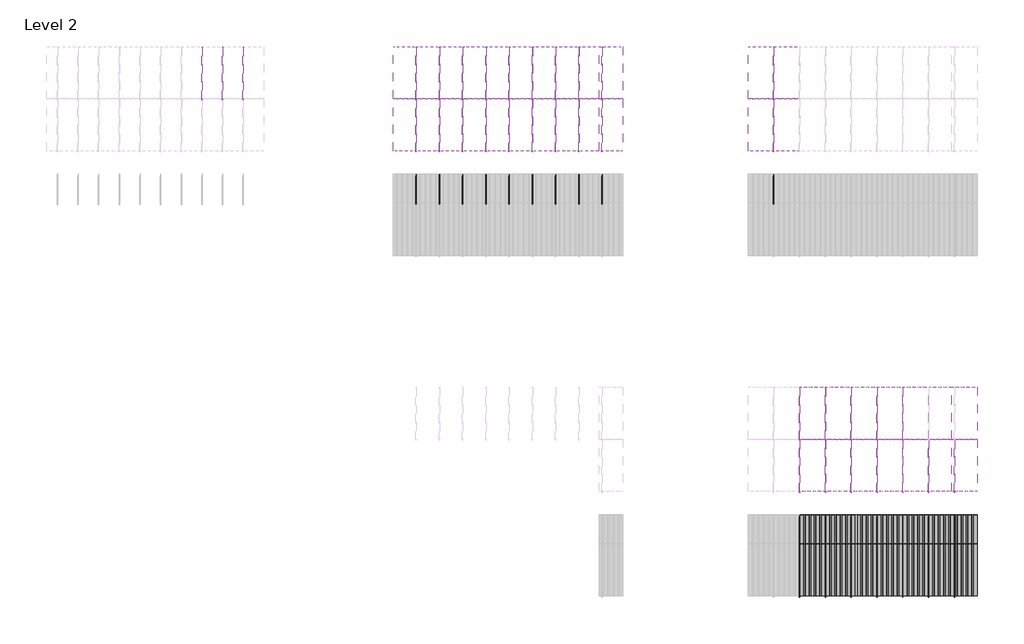
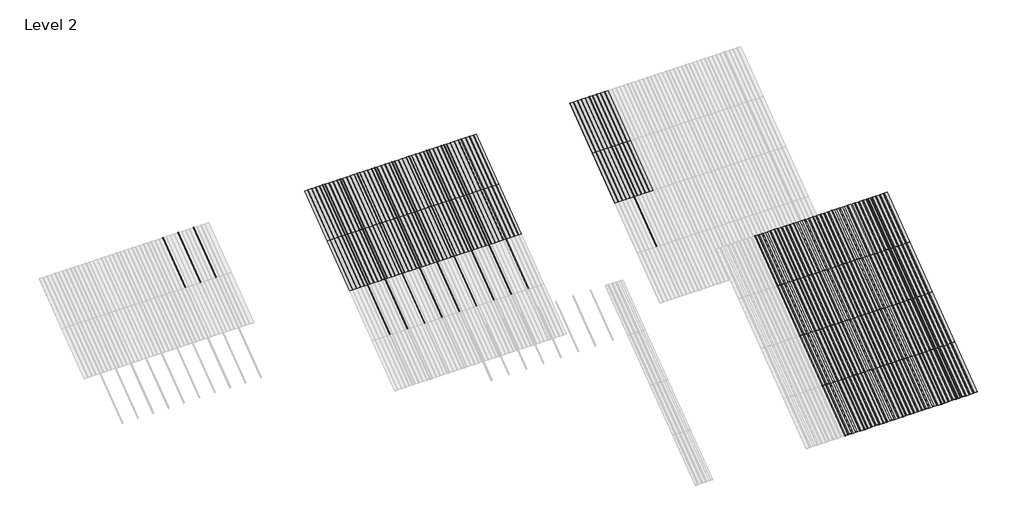
# One storey, part 37 of 113: 59 members, 52 plates.
"""IFC4 building model written with IfcOpenShell, lengths in millimetres."""

import ifcopenshell
import ifcopenshell.guid

model = None  # the IFC model being written
_history = None  # IfcOwnerHistory: only IFC2X3 demands one
_inside = {}  # id of a spatial element -> (the spatial element, [elements in it])
_under = {}  # id of a project, library or spatial element -> (it, [spatial elements below it])
_declared = {}  # id of a project -> (the project, [libraries it declares])
_typed = {}  # id of a type object -> (the type object, [elements of that type])
_made_of = {}  # id of a material, layer set ... -> (it, [elements and type objects made of it])


def new_model(schema):
    """Start an empty IFC model of exactly this schema.

    Asked for "IFC4X3", IfcOpenShell would pick the latest addendum, in which some entities
    have other attributes; the version numbers below select the first issue.
    IFC2X3 requires an IfcOwnerHistory on every rooted entity: one is made here for all.
    """
    global model, _history
    if schema == "IFC4X3":
        model = ifcopenshell.file(schema_version=(4, 3, 0, 0))
    else:
        model = ifcopenshell.file(schema=schema)
    _inside.clear()
    _under.clear()
    _declared.clear()
    _typed.clear()
    _made_of.clear()
    _history = None
    if model.schema == "IFC2X3":
        org = make("IfcOrganization", Name="unknown")
        user = make(
            "IfcPersonAndOrganization",
            ThePerson=make("IfcPerson", FamilyName="unknown"),
            TheOrganization=org,
        )
        app = make(
            "IfcApplication",
            ApplicationDeveloper=org,
            Version="unknown",
            ApplicationFullName="unknown",
            ApplicationIdentifier="unknown",
        )
        _history = make(
            "IfcOwnerHistory",
            OwningUser=user,
            OwningApplication=app,
            ChangeAction="ADDED",
            CreationDate=0,
        )
    return model


def make(cls, **values):
    """One entity of the class cls with the attributes given. An attribute that is None is left unset."""
    return model.create_entity(
        cls, **{name: value for name, value in values.items() if value is not None}
    )


def rooted(cls, **values):
    """An entity with a GlobalId (a new one), such as an element, a storey or a relation."""
    return make(cls, GlobalId=ifcopenshell.guid.new(), OwnerHistory=_history, **values)


def si_unit(unit_type, name, prefix=None):
    """IfcSIUnit, for example si_unit("LENGTHUNIT", "METRE", prefix="MILLI")."""
    return make("IfcSIUnit", UnitType=unit_type, Prefix=prefix, Name=name)


def assignment(units):
    """IfcUnitAssignment: the units of a project."""
    return None if units is None else make("IfcUnitAssignment", Units=units)


def point(xyz):
    """IfcCartesianPoint."""
    return None if xyz is None else make("IfcCartesianPoint", Coordinates=xyz)


def direction(xyz):
    """IfcDirection."""
    return None if xyz is None else make("IfcDirection", DirectionRatios=xyz)


def frame(location, z_axis=None, x_axis=None):
    """IfcAxis2Placement3D, a coordinate frame: its origin and axes. An axis left out is left unset."""
    return make(
        "IfcAxis2Placement3D",
        Location=point(location),
        Axis=direction(z_axis),
        RefDirection=direction(x_axis),
    )


def frame_2d(location, x_axis=None):
    """IfcAxis2Placement2D, a coordinate frame in the plane: its origin and x axis."""
    return make(
        "IfcAxis2Placement2D", Location=point(location), RefDirection=direction(x_axis)
    )


def origin():
    """The frame at (0, 0, 0) with its axes left unset."""
    return frame((0.0, 0.0, 0.0))


def origin_with_axes():
    """The frame at (0, 0, 0) with the z axis (0, 0, 1) and the x axis (1, 0, 0) written out."""
    return frame((0.0, 0.0, 0.0), z_axis=(0.0, 0.0, 1.0), x_axis=(1.0, 0.0, 0.0))


def place(relative_to, where):
    """IfcLocalPlacement: puts the frame where relative to a parent placement (None: the world)."""
    return make(
        "IfcLocalPlacement", PlacementRelTo=relative_to, RelativePlacement=where
    )


def context(
    kind, dimensions, precision=None, world=None, true_north=None, identifier=None
):
    """IfcGeometricRepresentationContext, for example the 3D "Model" context."""
    return make(
        "IfcGeometricRepresentationContext",
        ContextIdentifier=identifier,
        ContextType=kind,
        CoordinateSpaceDimension=dimensions,
        Precision=precision,
        WorldCoordinateSystem=world,
        TrueNorth=true_north,
    )


def project(units=None, contexts=None):
    """IfcProject with its units and contexts."""
    return rooted(
        "IfcProject",
        Name="project",
        RepresentationContexts=contexts,
        UnitsInContext=assignment(units),
    )


def spatial(cls, under=None, at=None, **own):
    """A site, building, storey or space (cls), placed at a placement, below another one or the project."""
    s = rooted(cls, ObjectPlacement=at, **own)
    if under is not None:
        _under.setdefault(under.id(), (under, []))[1].append(s)
    return s


def polyline(points):
    """IfcPolyline through the points."""
    return make("IfcPolyline", Points=[point(p) for p in points])


def circle_curve(where, radius):
    """IfcCircle in the frame where."""
    return make("IfcCircle", Position=where, Radius=radius)


def trimmed(basis, trim1, trim2, sense, master):
    """IfcTrimmedCurve: the piece of a basis curve between two trims."""
    return make(
        "IfcTrimmedCurve",
        BasisCurve=basis,
        Trim1=trim1,
        Trim2=trim2,
        SenseAgreement=sense,
        MasterRepresentation=master,
    )


def segment(curve, same_sense, transition):
    """IfcCompositeCurveSegment."""
    return make(
        "IfcCompositeCurveSegment",
        Transition=transition,
        SameSense=same_sense,
        ParentCurve=curve,
    )


def composite_curve(segments, self_intersect=None):
    """IfcCompositeCurve: segments joined end to end."""
    return make("IfcCompositeCurve", Segments=segments, SelfIntersect=self_intersect)


def outline(outer, holes=None, kind="AREA"):
    """IfcArbitraryClosedProfileDef: a profile drawn as a closed curve; with holes, ...WithVoids."""
    if holes is None:
        return make("IfcArbitraryClosedProfileDef", ProfileType=kind, OuterCurve=outer)
    return make(
        "IfcArbitraryProfileDefWithVoids",
        ProfileType=kind,
        OuterCurve=outer,
        InnerCurves=holes,
    )


def extrude(swept, where, along, depth):
    """IfcExtrudedAreaSolid: the profile swept, set in the frame where, extruded along a direction by depth."""
    return make(
        "IfcExtrudedAreaSolid",
        SweptArea=swept,
        Position=where,
        ExtrudedDirection=direction(along),
        Depth=depth,
    )


def shape(context_of_items, identifier, shape_type, items):
    """IfcShapeRepresentation: the items that make up one representation, for example the "Body"."""
    return make(
        "IfcShapeRepresentation",
        ContextOfItems=context_of_items,
        RepresentationIdentifier=identifier,
        RepresentationType=shape_type,
        Items=items,
    )


def source(mapping_origin, context_of_items, identifier, shape_type, items):
    """IfcRepresentationMap: a shape defined once, which mapped items show again and again."""
    return make(
        "IfcRepresentationMap",
        MappingOrigin=mapping_origin,
        MappedRepresentation=shape(context_of_items, identifier, shape_type, items),
    )


def transform(
    local_origin,
    x_axis=None,
    y_axis=None,
    z_axis=None,
    scale=None,
    scale2=None,
    scale3=None,
    uniform=True,
):
    """IfcCartesianTransformationOperator3D, or its non-uniform kind. x_axis, y_axis, z_axis: its Axis1, 2, 3."""
    if uniform:
        return make(
            "IfcCartesianTransformationOperator3D",
            Axis1=direction(x_axis),
            Axis2=direction(y_axis),
            LocalOrigin=point(local_origin),
            Scale=scale,
            Axis3=direction(z_axis),
        )
    return make(
        "IfcCartesianTransformationOperator3DnonUniform",
        Axis1=direction(x_axis),
        Axis2=direction(y_axis),
        LocalOrigin=point(local_origin),
        Scale=scale,
        Axis3=direction(z_axis),
        Scale2=scale2,
        Scale3=scale3,
    )


def mapped(mapping_source, mapping_target):
    """IfcMappedItem: shows the shape of a source again, moved by a transform."""
    return make(
        "IfcMappedItem", MappingSource=mapping_source, MappingTarget=mapping_target
    )


def made_of(thing, what):
    """Note that an element or type object is made of a material, layer set ...; save() writes the relation."""
    if what is not None:
        _made_of.setdefault(what.id(), (what, []))[1].append(thing)
    return thing


def element(
    cls,
    number,
    at=None,
    inside=None,
    cuts=None,
    type_object=None,
    material=None,
    context=None,
    identifier="Body",
    shape_type=None,
    held_by="IfcProductDefinitionShape",
    body=None,
    shapes=None,
    **own,
):
    """One element of the class cls, such as IfcWall. Its Tag is "e" and its number.

    at: its placement. inside: the storey or other place that contains it. cuts: it is an
    opening in that element (IfcRelVoidsElement). A single representation is given by context,
    identifier, shape_type and body (its items); several are given by shapes. held_by: the class
    of the entity that holds the representations. save() writes the other relations.
    """
    e = rooted(cls, Tag="e%d" % number, ObjectPlacement=at, **own)
    if body is not None:
        shapes = [shape(context, identifier, shape_type, body)]
    if shapes is not None:
        e.Representation = make(held_by, Representations=shapes)
    if inside is not None:
        _inside.setdefault(inside.id(), (inside, []))[1].append(e)
    if cuts is not None:
        rooted(
            "IfcRelVoidsElement", RelatingBuildingElement=cuts, RelatedOpeningElement=e
        )
    if type_object is not None:
        _typed.setdefault(type_object.id(), (type_object, []))[1].append(e)
    return made_of(e, material)


def aggregate(whole, parts):
    """IfcRelAggregates: a whole, such as a stair, and the parts it consists of."""
    return rooted("IfcRelAggregates", RelatingObject=whole, RelatedObjects=parts)


def save(model, path):
    """Write the relations noted so far, then the file.

    IfcRelAggregates (storeys below a building ...), IfcRelContainedInSpatialStructure (elements
    in a storey), IfcRelDefinesByType, IfcRelAssociatesMaterial and IfcRelDeclares: one each for
    every whole, place, type object, material and project.
    """
    for whole, parts in _under.values():
        aggregate(whole, parts)
    for where, things in _inside.values():
        rooted(
            "IfcRelContainedInSpatialStructure",
            RelatedElements=things,
            RelatingStructure=where,
        )
    for kind, things in _typed.values():
        rooted("IfcRelDefinesByType", RelatedObjects=things, RelatingType=kind)
    for what, things in _made_of.values():
        rooted("IfcRelAssociatesMaterial", RelatedObjects=things, RelatingMaterial=what)
    for by, libraries in _declared.values():
        rooted("IfcRelDeclares", RelatingContext=by, RelatedDefinitions=libraries)
    model.write(path)


def rectangular_mullion_707b4951(model_context):
    return source(origin(), model_context, "Body", "SweptSolid", [
        extrude(outline(composite_curve([segment(polyline([(-1.651, -33.918525), (-1.651, 0.396875), (1.778, 0.396875), (1.778, -36.458525)]), True, "CONTINUOUS"), segment(trimmed(circle_curve(frame_2d((-0.762, -36.458525)), 2.54), [point((1.778, -36.458525))], [point((-0.762, -38.998525))], False, "CARTESIAN"), True, "CONTINUOUS"), segment(polyline([(-0.762, -38.998525), (-5.207, -38.998525)]), True, "CONTINUOUS"), segment(trimmed(circle_curve(frame_2d((-5.207, -36.458525)), 2.54), [point((-5.207, -38.998525))], [point((-7.747, -36.458525))], False, "CARTESIAN"), True, "CONTINUOUS"), segment(polyline([(-7.747, -36.458525), (-7.747, -26.425525)]), True, "CONTINUOUS"), segment(trimmed(circle_curve(frame_2d((-5.207, -26.425525)), 2.54), [point((-7.747, -26.425525))], [point((-2.667, -26.425525))], False, "CARTESIAN"), True, "CONTINUOUS"), segment(polyline([(-2.667, -26.425525), (-2.667, -33.918525), (-1.651, -33.918525)]), True, "CONTINUOUS")], self_intersect=False)), frame((0.0, 0.0, -1285.875), z_axis=(0.0, 0.0, 1.0), x_axis=(1.0, 0.0, 0.0)), (0.0, 0.0, 1.0), 1285.875),
    ])


def plate_0_032_aluminium_d35da513(model_context):
    return source(origin(), model_context, "Body", "SweptSolid", [
        extrude(outline(polyline([(33.654793, 0.0), (-33.654793, 0.0), (-37.203173, -3.54838), (-66.870787, -3.54838), (-70.419167, 0.0), (-137.728753, 0.0), (-141.277133, -3.54838), (-170.944747, -3.54838), (-174.493127, 0.0), (-254.0, 0.0), (-254.0, 0.8128), (-174.42942, 0.8128), (-170.88104, -2.73558), (-141.34084, -2.73558), (-137.79246, 0.8128), (-70.35546, 0.8128), (-66.80708, -2.73558), (-37.26688, -2.73558), (-33.7185, 0.8128), (33.7185, 0.8128), (37.26688, -2.73558), (66.80708, -2.73558), (70.35546, 0.8128), (137.79246, 0.8128), (141.34084, -2.73558), (170.88104, -2.73558), (174.42942, 0.8128), (254.0, 0.8128), (254.0, 0.0), (174.493127, 0.0), (170.944747, -3.54838), (141.277133, -3.54838), (137.728753, 0.0), (70.419167, 0.0), (66.870787, -3.54838), (37.203173, -3.54838), (33.654793, 0.0)])), origin_with_axes(), (0.0, 0.0, 1.0), 1285.875),
    ])


def plate_0_032_aluminium_42d2a43c(model_context):
    return source(origin(), model_context, "Body", "SweptSolid", [
        extrude(outline(composite_curve([segment(polyline([(45.68698, 0.0), (-45.68698, 0.0)]), True, "CONTINUOUS"), segment(trimmed(circle_curve(frame_2d((-52.03698, 0.0)), 6.35), [point((-45.68698, 0.0))], [point((-58.38698, 0.0))], False, "CARTESIAN"), True, "CONTINUOUS"), segment(polyline([(-58.38698, 0.0), (-149.76094, 0.0)]), True, "CONTINUOUS"), segment(trimmed(circle_curve(frame_2d((-156.11094, 0.0)), 6.35), [point((-149.76094, 0.0))], [point((-162.46094, 0.0))], False, "CARTESIAN"), True, "CONTINUOUS"), segment(polyline([(-162.46094, 0.0), (-228.6, 0.0), (-228.6, 0.8128), (-161.64814, 0.8128), (-161.64814, 0.0)]), True, "CONTINUOUS"), segment(trimmed(circle_curve(frame_2d((-156.11094, 0.0)), 5.5372), [point((-161.64814, 0.0))], [point((-150.57374, 0.0))], True, "CARTESIAN"), True, "CONTINUOUS"), segment(polyline([(-150.57374, 0.0), (-150.57374, 0.8128), (-57.57418, 0.8128), (-57.57418, 0.0)]), True, "CONTINUOUS"), segment(trimmed(circle_curve(frame_2d((-52.03698, 0.0)), 5.5372), [point((-57.57418, 0.0))], [point((-46.49978, 0.0))], True, "CARTESIAN"), True, "CONTINUOUS"), segment(polyline([(-46.49978, 0.0), (-46.49978, 0.8128), (46.49978, 0.8128), (46.49978, 0.0)]), True, "CONTINUOUS"), segment(trimmed(circle_curve(frame_2d((52.03698, 0.0)), 5.5372), [point((46.49978, 0.0))], [point((57.57418, 0.0))], True, "CARTESIAN"), True, "CONTINUOUS"), segment(polyline([(57.57418, 0.0), (57.57418, 0.8128), (150.57374, 0.8128), (150.57374, 0.0)]), True, "CONTINUOUS"), segment(trimmed(circle_curve(frame_2d((156.11094, 0.0)), 5.5372), [point((150.57374, 0.0))], [point((161.64814, 0.0))], True, "CARTESIAN"), True, "CONTINUOUS"), segment(polyline([(161.64814, 0.0), (161.64814, 0.8128), (228.6, 0.8128), (228.6, 0.0), (162.46094, 0.0)]), True, "CONTINUOUS"), segment(trimmed(circle_curve(frame_2d((156.11094, 0.0)), 6.35), [point((162.46094, 0.0))], [point((149.76094, 0.0))], False, "CARTESIAN"), True, "CONTINUOUS"), segment(polyline([(149.76094, 0.0), (58.38698, 0.0)]), True, "CONTINUOUS"), segment(trimmed(circle_curve(frame_2d((52.03698, 0.0)), 6.35), [point((58.38698, 0.0))], [point((45.68698, 0.0))], False, "CARTESIAN"), True, "CONTINUOUS")], self_intersect=False)), origin_with_axes(), (0.0, 0.0, 1.0), 1285.875),
    ])


def plate_0_032_aluminium_9ac9a1cd(model_context):
    return source(origin(), model_context, "Body", "SweptSolid", [
        extrude(outline(composite_curve([segment(polyline([(45.68698, 0.0), (-45.68698, 0.0)]), True, "CONTINUOUS"), segment(trimmed(circle_curve(frame_2d((-52.03698, 0.0)), 6.35), [point((-45.68698, 0.0))], [point((-58.38698, 0.0))], False, "CARTESIAN"), True, "CONTINUOUS"), segment(polyline([(-58.38698, 0.0), (-149.76094, 0.0)]), True, "CONTINUOUS"), segment(trimmed(circle_curve(frame_2d((-156.11094, 0.0)), 6.35), [point((-149.76094, 0.0))], [point((-162.46094, 0.0))], False, "CARTESIAN"), True, "CONTINUOUS"), segment(polyline([(-162.46094, 0.0), (-254.0, 0.0), (-254.0, 0.8128), (-161.64814, 0.8128), (-161.64814, 0.0)]), True, "CONTINUOUS"), segment(trimmed(circle_curve(frame_2d((-156.11094, 0.0)), 5.5372), [point((-161.64814, 0.0))], [point((-150.57374, 0.0))], True, "CARTESIAN"), True, "CONTINUOUS"), segment(polyline([(-150.57374, 0.0), (-150.57374, 0.8128), (-57.57418, 0.8128), (-57.57418, 0.0)]), True, "CONTINUOUS"), segment(trimmed(circle_curve(frame_2d((-52.03698, 0.0)), 5.5372), [point((-57.57418, 0.0))], [point((-46.49978, 0.0))], True, "CARTESIAN"), True, "CONTINUOUS"), segment(polyline([(-46.49978, 0.0), (-46.49978, 0.8128), (46.49978, 0.8128), (46.49978, 0.0)]), True, "CONTINUOUS"), segment(trimmed(circle_curve(frame_2d((52.03698, 0.0)), 5.5372), [point((46.49978, 0.0))], [point((57.57418, 0.0))], True, "CARTESIAN"), True, "CONTINUOUS"), segment(polyline([(57.57418, 0.0), (57.57418, 0.8128), (150.57374, 0.8128), (150.57374, 0.0)]), True, "CONTINUOUS"), segment(trimmed(circle_curve(frame_2d((156.11094, 0.0)), 5.5372), [point((150.57374, 0.0))], [point((161.64814, 0.0))], True, "CARTESIAN"), True, "CONTINUOUS"), segment(polyline([(161.64814, 0.0), (161.64814, 0.8128), (254.0, 0.8128), (254.0, 0.0), (162.46094, 0.0)]), True, "CONTINUOUS"), segment(trimmed(circle_curve(frame_2d((156.11094, 0.0)), 6.35), [point((162.46094, 0.0))], [point((149.76094, 0.0))], False, "CARTESIAN"), True, "CONTINUOUS"), segment(polyline([(149.76094, 0.0), (58.38698, 0.0)]), True, "CONTINUOUS"), segment(trimmed(circle_curve(frame_2d((52.03698, 0.0)), 6.35), [point((58.38698, 0.0))], [point((45.68698, 0.0))], False, "CARTESIAN"), True, "CONTINUOUS")], self_intersect=False)), origin_with_axes(), (0.0, 0.0, 1.0), 1285.875),
    ])


model = new_model("IFC4")

# Units and contexts
model_context = context("Model", 3, world=origin())
ifc_project = project(units=[si_unit("LENGTHUNIT", "METRE", prefix="MILLI")], contexts=[model_context])

# Site, building, storey
site = spatial("IfcSite", under=ifc_project)
building = spatial("IfcBuilding", under=site)
storey = spatial("IfcBuildingStorey", under=building, Name="Level 2", Elevation=3048.0)

# Members
placement = place(None, origin())
rectangular_mullion_shape = rectangular_mullion_707b4951(model_context)
element("IfcMember", 1, ObjectType="Rectangular Mullion", at=placement, inside=storey, context=model_context, shape_type="MappedRepresentation", body=[
    mapped(rectangular_mullion_shape, transform((80049.7138422, 52373.0971239, 6134.1), x_axis=(1.0, 0.0, 0.0), y_axis=(0.0, 0.5999999999999946, -0.800000000000004), z_axis=(0.0, 0.800000000000004, 0.5999999999999946))),
])
element("IfcMember", 2, ObjectType="Rectangular Mullion", at=placement, inside=storey, context=model_context, shape_type="MappedRepresentation", body=[
    mapped(rectangular_mullion_shape, transform((80557.7138422, 52373.0971239, 6134.1), x_axis=(1.0, 0.0, 0.0), y_axis=(0.0, 0.5999999999999946, -0.800000000000004), z_axis=(0.0, 0.800000000000004, 0.5999999999999946))),
])
element("IfcMember", 3, ObjectType="Rectangular Mullion", at=placement, inside=storey, context=model_context, shape_type="MappedRepresentation", body=[
    mapped(rectangular_mullion_shape, transform((81065.7138422, 52373.0971239, 6134.1), x_axis=(1.0, 0.0, 0.0), y_axis=(0.0, 0.5999999999999946, -0.800000000000004), z_axis=(0.0, 0.800000000000004, 0.5999999999999946))),
])
element("IfcMember", 4, ObjectType="Rectangular Mullion", at=placement, inside=storey, context=model_context, shape_type="MappedRepresentation", body=[
    mapped(rectangular_mullion_shape, transform((81573.7138422, 52373.0971239, 6134.1), x_axis=(1.0, 0.0, 0.0), y_axis=(0.0, 0.5999999999999946, -0.800000000000004), z_axis=(0.0, 0.800000000000004, 0.5999999999999946))),
])
element("IfcMember", 5, ObjectType="Rectangular Mullion", at=placement, inside=storey, context=model_context, shape_type="MappedRepresentation", body=[
    mapped(rectangular_mullion_shape, transform((82081.7138422, 52373.0971239, 6134.1), x_axis=(1.0, 0.0, 0.0), y_axis=(0.0, 0.5999999999999946, -0.800000000000004), z_axis=(0.0, 0.800000000000004, 0.5999999999999946))),
])
element("IfcMember", 6, ObjectType="Rectangular Mullion", at=placement, inside=storey, context=model_context, shape_type="MappedRepresentation", body=[
    mapped(rectangular_mullion_shape, transform((68289.5138422, 59078.2208739, 6134.1), x_axis=(1.0, 0.0, 0.0), y_axis=(0.0, 0.5999999999999946, -0.800000000000004), z_axis=(0.0, 0.800000000000004, 0.5999999999999946))),
])
element("IfcMember", 7, ObjectType="Rectangular Mullion", at=placement, inside=storey, context=model_context, shape_type="MappedRepresentation", body=[
    mapped(rectangular_mullion_shape, transform((68695.9138422, 59078.2208739, 6134.1), x_axis=(1.0, 0.0, 0.0), y_axis=(0.0, 0.5999999999999946, -0.800000000000004), z_axis=(0.0, 0.800000000000004, 0.5999999999999946))),
])
element("IfcMember", 8, ObjectType="Rectangular Mullion", at=placement, inside=storey, context=model_context, shape_type="MappedRepresentation", body=[
    mapped(rectangular_mullion_shape, transform((72505.9138422, 59078.2208739, 6134.1), x_axis=(1.0, 0.0, 0.0), y_axis=(0.0, 0.5999999999999946, -0.800000000000004), z_axis=(0.0, 0.800000000000004, 0.5999999999999946))),
])
element("IfcMember", 9, ObjectType="Rectangular Mullion", at=placement, inside=storey, context=model_context, shape_type="MappedRepresentation", body=[
    mapped(rectangular_mullion_shape, transform((72963.1138422, 59078.2208739, 6134.1), x_axis=(1.0, 0.0, 0.0), y_axis=(0.0, 0.5999999999999946, -0.800000000000004), z_axis=(0.0, 0.800000000000004, 0.5999999999999946))),
])
element("IfcMember", 10, ObjectType="Rectangular Mullion", at=placement, inside=storey, context=model_context, shape_type="MappedRepresentation", body=[
    mapped(rectangular_mullion_shape, transform((73420.3138422, 59078.2208739, 6134.1), x_axis=(1.0, 0.0, 0.0), y_axis=(0.0, 0.5999999999999946, -0.800000000000004), z_axis=(0.0, 0.800000000000004, 0.5999999999999946))),
])
element("IfcMember", 11, ObjectType="Rectangular Mullion", at=placement, inside=storey, context=model_context, shape_type="MappedRepresentation", body=[
    mapped(rectangular_mullion_shape, transform((73877.5138422, 59078.2208739, 6134.1), x_axis=(1.0, 0.0, 0.0), y_axis=(0.0, 0.5999999999999946, -0.800000000000004), z_axis=(0.0, 0.800000000000004, 0.5999999999999946))),
])
element("IfcMember", 12, ObjectType="Rectangular Mullion", at=placement, inside=storey, context=model_context, shape_type="MappedRepresentation", body=[
    mapped(rectangular_mullion_shape, transform((74334.7138422, 59078.2208739, 6134.1), x_axis=(1.0, 0.0, 0.0), y_axis=(0.0, 0.5999999999999946, -0.800000000000004), z_axis=(0.0, 0.800000000000004, 0.5999999999999946))),
])
element("IfcMember", 13, ObjectType="Rectangular Mullion", at=placement, inside=storey, context=model_context, shape_type="MappedRepresentation", body=[
    mapped(rectangular_mullion_shape, transform((74791.9138422, 59078.2208739, 6134.1), x_axis=(1.0, 0.0, 0.0), y_axis=(0.0, 0.5999999999999946, -0.800000000000004), z_axis=(0.0, 0.800000000000004, 0.5999999999999946))),
])
element("IfcMember", 14, ObjectType="Rectangular Mullion", at=placement, inside=storey, context=model_context, shape_type="MappedRepresentation", body=[
    mapped(rectangular_mullion_shape, transform((75249.1138422, 59078.2208739, 6134.1), x_axis=(1.0, 0.0, 0.0), y_axis=(0.0, 0.5999999999999946, -0.800000000000004), z_axis=(0.0, 0.800000000000004, 0.5999999999999946))),
])
element("IfcMember", 15, ObjectType="Rectangular Mullion", at=placement, inside=storey, context=model_context, shape_type="MappedRepresentation", body=[
    mapped(rectangular_mullion_shape, transform((75706.3138422, 59078.2208739, 6134.1), x_axis=(1.0, 0.0, 0.0), y_axis=(0.0, 0.5999999999999946, -0.800000000000004), z_axis=(0.0, 0.800000000000004, 0.5999999999999946))),
])
element("IfcMember", 16, ObjectType="Rectangular Mullion", at=placement, inside=storey, context=model_context, shape_type="MappedRepresentation", body=[
    mapped(rectangular_mullion_shape, transform((76163.5138422, 59078.2208739, 6134.1), x_axis=(1.0, 0.0, 0.0), y_axis=(0.0, 0.5999999999999946, -0.800000000000004), z_axis=(0.0, 0.800000000000004, 0.5999999999999946))),
])
element("IfcMember", 17, ObjectType="Rectangular Mullion", at=placement, inside=storey, context=model_context, shape_type="MappedRepresentation", body=[
    mapped(rectangular_mullion_shape, transform((79541.7138422, 59078.2208739, 6134.1), x_axis=(1.0, 0.0, 0.0), y_axis=(0.0, 0.5999999999999946, -0.800000000000004), z_axis=(0.0, 0.800000000000004, 0.5999999999999946))),
])
element("IfcMember", 18, ObjectType="Rectangular Mullion", at=placement, inside=storey, context=model_context, shape_type="MappedRepresentation", body=[
    mapped(rectangular_mullion_shape, transform((69102.3138422, 59078.2208739, 6134.1), x_axis=(1.0, 0.0, 0.0), y_axis=(0.0, 0.5999999999999946, -0.800000000000004), z_axis=(0.0, 0.800000000000004, 0.5999999999999946))),
])
element("IfcMember", 19, ObjectType="Rectangular Mullion", at=placement, inside=storey, context=model_context, shape_type="MappedRepresentation", body=[
    mapped(rectangular_mullion_shape, transform((80049.7138422, 49286.9971239, 3819.525), x_axis=(1.0, 0.0, 0.0), y_axis=(0.0, 0.5999999999999939, -0.8000000000000047), z_axis=(0.0, 0.8000000000000047, 0.5999999999999939))),
])
element("IfcMember", 20, ObjectType="Rectangular Mullion", at=placement, inside=storey, context=model_context, shape_type="MappedRepresentation", body=[
    mapped(rectangular_mullion_shape, transform((80557.7138422, 49286.9971239, 3819.525), x_axis=(1.0, 0.0, 0.0), y_axis=(0.0, 0.5999999999999939, -0.8000000000000047), z_axis=(0.0, 0.8000000000000047, 0.5999999999999939))),
])
element("IfcMember", 21, ObjectType="Rectangular Mullion", at=placement, inside=storey, context=model_context, shape_type="MappedRepresentation", body=[
    mapped(rectangular_mullion_shape, transform((81065.7138422, 49286.9971239, 3819.525), x_axis=(1.0, 0.0, 0.0), y_axis=(0.0, 0.5999999999999939, -0.8000000000000047), z_axis=(0.0, 0.8000000000000047, 0.5999999999999939))),
])
element("IfcMember", 22, ObjectType="Rectangular Mullion", at=placement, inside=storey, context=model_context, shape_type="MappedRepresentation", body=[
    mapped(rectangular_mullion_shape, transform((81573.7138422, 49286.9971239, 3819.525), x_axis=(1.0, 0.0, 0.0), y_axis=(0.0, 0.5999999999999939, -0.8000000000000047), z_axis=(0.0, 0.8000000000000047, 0.5999999999999939))),
])
element("IfcMember", 23, ObjectType="Rectangular Mullion", at=placement, inside=storey, context=model_context, shape_type="MappedRepresentation", body=[
    mapped(rectangular_mullion_shape, transform((82081.7138422, 49286.9971239, 3819.525), x_axis=(1.0, 0.0, 0.0), y_axis=(0.0, 0.5999999999999939, -0.8000000000000047), z_axis=(0.0, 0.8000000000000047, 0.5999999999999939))),
])
element("IfcMember", 24, ObjectType="Rectangular Mullion", at=placement, inside=storey, context=model_context, shape_type="MappedRepresentation", body=[
    mapped(rectangular_mullion_shape, transform((82589.7138422, 49286.9971239, 3819.525), x_axis=(1.0, 0.0, 0.0), y_axis=(0.0, 0.5999999999999939, -0.8000000000000047), z_axis=(0.0, 0.8000000000000047, 0.5999999999999939))),
])
element("IfcMember", 25, ObjectType="Rectangular Mullion", at=placement, inside=storey, context=model_context, shape_type="MappedRepresentation", body=[
    mapped(rectangular_mullion_shape, transform((83097.7138422, 49286.9971239, 3819.525), x_axis=(1.0, 0.0, 0.0), y_axis=(0.0, 0.5999999999999939, -0.8000000000000047), z_axis=(0.0, 0.8000000000000047, 0.5999999999999939))),
])
element("IfcMember", 26, ObjectType="Rectangular Mullion", at=placement, inside=storey, context=model_context, shape_type="MappedRepresentation", body=[
    mapped(rectangular_mullion_shape, transform((80049.7138422, 50315.6971239, 4591.05), x_axis=(1.0, 0.0, 0.0), y_axis=(0.0, 0.5999999999999952, -0.8000000000000037), z_axis=(0.0, 0.8000000000000037, 0.5999999999999952))),
])
element("IfcMember", 27, ObjectType="Rectangular Mullion", at=placement, inside=storey, context=model_context, shape_type="MappedRepresentation", body=[
    mapped(rectangular_mullion_shape, transform((80049.7138422, 51344.3971239, 5362.575), x_axis=(1.0, 0.0, 0.0), y_axis=(0.0, 0.5999999999999941, -0.8000000000000045), z_axis=(0.0, 0.8000000000000044, 0.599999999999994))),
])
element("IfcMember", 28, ObjectType="Rectangular Mullion", at=placement, inside=storey, context=model_context, shape_type="MappedRepresentation", body=[
    mapped(rectangular_mullion_shape, transform((80557.7138422, 50315.6971239, 4591.05), x_axis=(1.0, 0.0, 0.0), y_axis=(0.0, 0.5999999999999952, -0.8000000000000037), z_axis=(0.0, 0.8000000000000037, 0.5999999999999952))),
])
element("IfcMember", 29, ObjectType="Rectangular Mullion", at=placement, inside=storey, context=model_context, shape_type="MappedRepresentation", body=[
    mapped(rectangular_mullion_shape, transform((81065.7138422, 50315.6971239, 4591.05), x_axis=(1.0, 0.0, 0.0), y_axis=(0.0, 0.5999999999999952, -0.8000000000000037), z_axis=(0.0, 0.8000000000000037, 0.5999999999999952))),
])
element("IfcMember", 30, ObjectType="Rectangular Mullion", at=placement, inside=storey, context=model_context, shape_type="MappedRepresentation", body=[
    mapped(rectangular_mullion_shape, transform((81573.7138422, 50315.6971239, 4591.05), x_axis=(1.0, 0.0, 0.0), y_axis=(0.0, 0.5999999999999952, -0.8000000000000037), z_axis=(0.0, 0.8000000000000037, 0.5999999999999952))),
])
element("IfcMember", 31, ObjectType="Rectangular Mullion", at=placement, inside=storey, context=model_context, shape_type="MappedRepresentation", body=[
    mapped(rectangular_mullion_shape, transform((82081.7138422, 50315.6971239, 4591.05), x_axis=(1.0, 0.0, 0.0), y_axis=(0.0, 0.5999999999999952, -0.8000000000000037), z_axis=(0.0, 0.8000000000000037, 0.5999999999999952))),
])
element("IfcMember", 32, ObjectType="Rectangular Mullion", at=placement, inside=storey, context=model_context, shape_type="MappedRepresentation", body=[
    mapped(rectangular_mullion_shape, transform((82589.7138422, 50315.6971239, 4591.05), x_axis=(1.0, 0.0, 0.0), y_axis=(0.0, 0.5999999999999952, -0.8000000000000037), z_axis=(0.0, 0.8000000000000037, 0.5999999999999952))),
])
element("IfcMember", 33, ObjectType="Rectangular Mullion", at=placement, inside=storey, context=model_context, shape_type="MappedRepresentation", body=[
    mapped(rectangular_mullion_shape, transform((83097.7138422, 50315.6971239, 4591.05), x_axis=(1.0, 0.0, 0.0), y_axis=(0.0, 0.5999999999999952, -0.8000000000000037), z_axis=(0.0, 0.8000000000000037, 0.5999999999999952))),
])
element("IfcMember", 34, ObjectType="Rectangular Mullion", at=placement, inside=storey, context=model_context, shape_type="MappedRepresentation", body=[
    mapped(rectangular_mullion_shape, transform((80557.7138422, 51344.3971239, 5362.575), x_axis=(1.0, 0.0, 0.0), y_axis=(0.0, 0.5999999999999941, -0.8000000000000045), z_axis=(0.0, 0.8000000000000044, 0.599999999999994))),
])
element("IfcMember", 35, ObjectType="Rectangular Mullion", at=placement, inside=storey, context=model_context, shape_type="MappedRepresentation", body=[
    mapped(rectangular_mullion_shape, transform((81065.7138422, 51344.3971239, 5362.575), x_axis=(1.0, 0.0, 0.0), y_axis=(0.0, 0.5999999999999941, -0.8000000000000045), z_axis=(0.0, 0.8000000000000044, 0.599999999999994))),
])
element("IfcMember", 36, ObjectType="Rectangular Mullion", at=placement, inside=storey, context=model_context, shape_type="MappedRepresentation", body=[
    mapped(rectangular_mullion_shape, transform((81573.7138422, 51344.3971239, 5362.575), x_axis=(1.0, 0.0, 0.0), y_axis=(0.0, 0.5999999999999941, -0.8000000000000045), z_axis=(0.0, 0.8000000000000044, 0.599999999999994))),
])
element("IfcMember", 37, ObjectType="Rectangular Mullion", at=placement, inside=storey, context=model_context, shape_type="MappedRepresentation", body=[
    mapped(rectangular_mullion_shape, transform((82081.7138422, 51344.3971239, 5362.575), x_axis=(1.0, 0.0, 0.0), y_axis=(0.0, 0.5999999999999941, -0.8000000000000045), z_axis=(0.0, 0.8000000000000044, 0.599999999999994))),
])
element("IfcMember", 38, ObjectType="Rectangular Mullion", at=placement, inside=storey, context=model_context, shape_type="MappedRepresentation", body=[
    mapped(rectangular_mullion_shape, transform((82589.7138422, 51344.3971239, 5362.575), x_axis=(1.0, 0.0, 0.0), y_axis=(0.0, 0.5999999999999941, -0.8000000000000045), z_axis=(0.0, 0.8000000000000044, 0.599999999999994))),
])
element("IfcMember", 39, ObjectType="Rectangular Mullion", at=placement, inside=storey, context=model_context, shape_type="MappedRepresentation", body=[
    mapped(rectangular_mullion_shape, transform((83097.7138422, 51344.3971239, 5362.575), x_axis=(1.0, 0.0, 0.0), y_axis=(0.0, 0.5999999999999941, -0.8000000000000045), z_axis=(0.0, 0.8000000000000044, 0.599999999999994))),
])
element("IfcMember", 40, ObjectType="Rectangular Mullion", at=placement, inside=storey, context=model_context, shape_type="MappedRepresentation", body=[
    mapped(rectangular_mullion_shape, transform((72505.9138422, 57020.8208739, 4591.05), x_axis=(1.0, 0.0, 0.0), y_axis=(0.0, 0.5999999999999952, -0.8000000000000037), z_axis=(0.0, 0.8000000000000037, 0.5999999999999952))),
])
element("IfcMember", 41, ObjectType="Rectangular Mullion", at=placement, inside=storey, context=model_context, shape_type="MappedRepresentation", body=[
    mapped(rectangular_mullion_shape, transform((72963.1138422, 57020.8208739, 4591.05), x_axis=(1.0, 0.0, 0.0), y_axis=(0.0, 0.5999999999999952, -0.8000000000000037), z_axis=(0.0, 0.8000000000000037, 0.5999999999999952))),
])
element("IfcMember", 42, ObjectType="Rectangular Mullion", at=placement, inside=storey, context=model_context, shape_type="MappedRepresentation", body=[
    mapped(rectangular_mullion_shape, transform((72505.9138422, 58049.5208739, 5362.575), x_axis=(1.0, 0.0, 0.0), y_axis=(0.0, 0.5999999999999941, -0.8000000000000045), z_axis=(0.0, 0.8000000000000044, 0.599999999999994))),
])
element("IfcMember", 43, ObjectType="Rectangular Mullion", at=placement, inside=storey, context=model_context, shape_type="MappedRepresentation", body=[
    mapped(rectangular_mullion_shape, transform((72963.1138422, 58049.5208739, 5362.575), x_axis=(1.0, 0.0, 0.0), y_axis=(0.0, 0.5999999999999941, -0.8000000000000045), z_axis=(0.0, 0.8000000000000044, 0.599999999999994))),
])
element("IfcMember", 44, ObjectType="Rectangular Mullion", at=placement, inside=storey, context=model_context, shape_type="MappedRepresentation", body=[
    mapped(rectangular_mullion_shape, transform((73420.3138422, 57020.8208739, 4591.05), x_axis=(1.0, 0.0, 0.0), y_axis=(0.0, 0.5999999999999952, -0.8000000000000037), z_axis=(0.0, 0.8000000000000037, 0.5999999999999952))),
])
element("IfcMember", 45, ObjectType="Rectangular Mullion", at=placement, inside=storey, context=model_context, shape_type="MappedRepresentation", body=[
    mapped(rectangular_mullion_shape, transform((73877.5138422, 57020.8208739, 4591.05), x_axis=(1.0, 0.0, 0.0), y_axis=(0.0, 0.5999999999999952, -0.8000000000000037), z_axis=(0.0, 0.8000000000000037, 0.5999999999999952))),
])
element("IfcMember", 46, ObjectType="Rectangular Mullion", at=placement, inside=storey, context=model_context, shape_type="MappedRepresentation", body=[
    mapped(rectangular_mullion_shape, transform((74334.7138422, 57020.8208739, 4591.05), x_axis=(1.0, 0.0, 0.0), y_axis=(0.0, 0.5999999999999952, -0.8000000000000037), z_axis=(0.0, 0.8000000000000037, 0.5999999999999952))),
])
element("IfcMember", 47, ObjectType="Rectangular Mullion", at=placement, inside=storey, context=model_context, shape_type="MappedRepresentation", body=[
    mapped(rectangular_mullion_shape, transform((74791.9138422, 57020.8208739, 4591.05), x_axis=(1.0, 0.0, 0.0), y_axis=(0.0, 0.5999999999999952, -0.8000000000000037), z_axis=(0.0, 0.8000000000000037, 0.5999999999999952))),
])
element("IfcMember", 48, ObjectType="Rectangular Mullion", at=placement, inside=storey, context=model_context, shape_type="MappedRepresentation", body=[
    mapped(rectangular_mullion_shape, transform((75249.1138422, 57020.8208739, 4591.05), x_axis=(1.0, 0.0, 0.0), y_axis=(0.0, 0.5999999999999952, -0.8000000000000037), z_axis=(0.0, 0.8000000000000037, 0.5999999999999952))),
])
element("IfcMember", 49, ObjectType="Rectangular Mullion", at=placement, inside=storey, context=model_context, shape_type="MappedRepresentation", body=[
    mapped(rectangular_mullion_shape, transform((75706.3138422, 57020.8208739, 4591.05), x_axis=(1.0, 0.0, 0.0), y_axis=(0.0, 0.5999999999999949, -0.8000000000000038), z_axis=(0.0, 0.8000000000000038, 0.5999999999999949))),
])
element("IfcMember", 50, ObjectType="Rectangular Mullion", at=placement, inside=storey, context=model_context, shape_type="MappedRepresentation", body=[
    mapped(rectangular_mullion_shape, transform((76163.5138422, 57020.8208739, 4591.05), x_axis=(1.0, 0.0, 0.0), y_axis=(0.0, 0.5999999999999952, -0.8000000000000037), z_axis=(0.0, 0.8000000000000037, 0.5999999999999952))),
])
element("IfcMember", 51, ObjectType="Rectangular Mullion", at=placement, inside=storey, context=model_context, shape_type="MappedRepresentation", body=[
    mapped(rectangular_mullion_shape, transform((73420.3138422, 58049.5208739, 5362.575), x_axis=(1.0, 0.0, 0.0), y_axis=(0.0, 0.5999999999999941, -0.8000000000000045), z_axis=(0.0, 0.8000000000000044, 0.599999999999994))),
])
element("IfcMember", 52, ObjectType="Rectangular Mullion", at=placement, inside=storey, context=model_context, shape_type="MappedRepresentation", body=[
    mapped(rectangular_mullion_shape, transform((73877.5138422, 58049.5208739, 5362.575), x_axis=(1.0, 0.0, 0.0), y_axis=(0.0, 0.5999999999999941, -0.8000000000000045), z_axis=(0.0, 0.8000000000000044, 0.599999999999994))),
])
element("IfcMember", 53, ObjectType="Rectangular Mullion", at=placement, inside=storey, context=model_context, shape_type="MappedRepresentation", body=[
    mapped(rectangular_mullion_shape, transform((74334.7138422, 58049.5208739, 5362.575), x_axis=(1.0, 0.0, 0.0), y_axis=(0.0, 0.5999999999999941, -0.8000000000000045), z_axis=(0.0, 0.8000000000000044, 0.599999999999994))),
])
element("IfcMember", 54, ObjectType="Rectangular Mullion", at=placement, inside=storey, context=model_context, shape_type="MappedRepresentation", body=[
    mapped(rectangular_mullion_shape, transform((74791.9138422, 58049.5208739, 5362.575), x_axis=(1.0, 0.0, 0.0), y_axis=(0.0, 0.5999999999999941, -0.8000000000000045), z_axis=(0.0, 0.8000000000000044, 0.599999999999994))),
])
element("IfcMember", 55, ObjectType="Rectangular Mullion", at=placement, inside=storey, context=model_context, shape_type="MappedRepresentation", body=[
    mapped(rectangular_mullion_shape, transform((75249.1138422, 58049.5208739, 5362.575), x_axis=(1.0, 0.0, 0.0), y_axis=(0.0, 0.5999999999999941, -0.8000000000000045), z_axis=(0.0, 0.8000000000000044, 0.599999999999994))),
])
element("IfcMember", 56, ObjectType="Rectangular Mullion", at=placement, inside=storey, context=model_context, shape_type="MappedRepresentation", body=[
    mapped(rectangular_mullion_shape, transform((75706.3138422, 58049.5208739, 5362.575), x_axis=(1.0, 0.0, 0.0), y_axis=(0.0, 0.5999999999999939, -0.8000000000000047), z_axis=(0.0, 0.8000000000000047, 0.5999999999999939))),
])
element("IfcMember", 57, ObjectType="Rectangular Mullion", at=placement, inside=storey, context=model_context, shape_type="MappedRepresentation", body=[
    mapped(rectangular_mullion_shape, transform((76163.5138422, 58049.5208739, 5362.575), x_axis=(1.0, 0.0, 0.0), y_axis=(0.0, 0.5999999999999941, -0.8000000000000045), z_axis=(0.0, 0.8000000000000044, 0.599999999999994))),
])
element("IfcMember", 58, ObjectType="Rectangular Mullion", at=placement, inside=storey, context=model_context, shape_type="MappedRepresentation", body=[
    mapped(rectangular_mullion_shape, transform((79541.7138422, 57020.8208739, 4591.05), x_axis=(1.0, 0.0, 0.0), y_axis=(0.0, 0.5999999999999952, -0.8000000000000037), z_axis=(0.0, 0.8000000000000037, 0.5999999999999952))),
])
element("IfcMember", 59, ObjectType="Rectangular Mullion", at=placement, inside=storey, context=model_context, shape_type="MappedRepresentation", body=[
    mapped(rectangular_mullion_shape, transform((79541.7138422, 58049.5208739, 5362.575), x_axis=(1.0, 0.0, 0.0), y_axis=(0.0, 0.5999999999999941, -0.8000000000000045), z_axis=(0.0, 0.8000000000000044, 0.599999999999994))),
])

# Plates
plate_0_032_aluminium_shape = plate_0_032_aluminium_d35da513(model_context)
element("IfcPlate", 60, ObjectType="22 Ga. Steel", at=placement, inside=storey, context=model_context, shape_type="MappedRepresentation", body=[
    mapped(plate_0_032_aluminium_shape, transform((80303.7773422, 48258.2971239, 3048.0), x_axis=(1.0, 0.0, 0.0), y_axis=(0.0, 0.5999999999999943, -0.8000000000000043), z_axis=(0.0, 0.8000000000000043, 0.5999999999999943))),
])
element("IfcPlate", 61, ObjectType="22 Ga. Steel", at=placement, inside=storey, context=model_context, shape_type="MappedRepresentation", body=[
    mapped(plate_0_032_aluminium_shape, transform((80303.7773422, 49286.9971239, 3819.525), x_axis=(1.0, 0.0, 0.0), y_axis=(0.0, 0.5999999999999943, -0.8000000000000043), z_axis=(0.0, 0.8000000000000043, 0.5999999999999943))),
])
element("IfcPlate", 62, ObjectType="22 Ga. Steel", at=placement, inside=storey, context=model_context, shape_type="MappedRepresentation", body=[
    mapped(plate_0_032_aluminium_shape, transform((80303.7773422, 50315.6971239, 4591.05), x_axis=(1.0, 0.0, 0.0), y_axis=(0.0, 0.5999999999999943, -0.8000000000000043), z_axis=(0.0, 0.8000000000000043, 0.5999999999999943))),
])
element("IfcPlate", 63, ObjectType="22 Ga. Steel", at=placement, inside=storey, context=model_context, shape_type="MappedRepresentation", body=[
    mapped(plate_0_032_aluminium_shape, transform((80303.7773422, 51344.3971239, 5362.575), x_axis=(1.0, 0.0, 0.0), y_axis=(0.0, 0.5999999999999943, -0.8000000000000043), z_axis=(0.0, 0.8000000000000043, 0.5999999999999943))),
])
element("IfcPlate", 64, ObjectType="22 Ga. Steel", at=placement, inside=storey, context=model_context, shape_type="MappedRepresentation", body=[
    mapped(plate_0_032_aluminium_shape, transform((80811.7773422, 48258.2971239, 3048.0), x_axis=(1.0, 0.0, 0.0), y_axis=(0.0, 0.5999999999999943, -0.8000000000000043), z_axis=(0.0, 0.8000000000000043, 0.5999999999999943))),
])
element("IfcPlate", 65, ObjectType="22 Ga. Steel", at=placement, inside=storey, context=model_context, shape_type="MappedRepresentation", body=[
    mapped(plate_0_032_aluminium_shape, transform((80811.7773422, 49286.9971239, 3819.525), x_axis=(1.0, 0.0, 0.0), y_axis=(0.0, 0.5999999999999943, -0.8000000000000043), z_axis=(0.0, 0.8000000000000043, 0.5999999999999943))),
])
element("IfcPlate", 66, ObjectType="22 Ga. Steel", at=placement, inside=storey, context=model_context, shape_type="MappedRepresentation", body=[
    mapped(plate_0_032_aluminium_shape, transform((80811.7773422, 50315.6971239, 4591.05), x_axis=(1.0, 0.0, 0.0), y_axis=(0.0, 0.5999999999999943, -0.8000000000000043), z_axis=(0.0, 0.8000000000000043, 0.5999999999999943))),
])
element("IfcPlate", 67, ObjectType="22 Ga. Steel", at=placement, inside=storey, context=model_context, shape_type="MappedRepresentation", body=[
    mapped(plate_0_032_aluminium_shape, transform((80811.7773422, 51344.3971239, 5362.575), x_axis=(1.0, 0.0, 0.0), y_axis=(0.0, 0.5999999999999943, -0.8000000000000043), z_axis=(0.0, 0.8000000000000043, 0.5999999999999943))),
])
element("IfcPlate", 68, ObjectType="22 Ga. Steel", at=placement, inside=storey, context=model_context, shape_type="MappedRepresentation", body=[
    mapped(plate_0_032_aluminium_shape, transform((81319.7773422, 48258.2971239, 3048.0), x_axis=(1.0, 0.0, 0.0), y_axis=(0.0, 0.5999999999999943, -0.8000000000000043), z_axis=(0.0, 0.8000000000000043, 0.5999999999999943))),
])
element("IfcPlate", 69, ObjectType="22 Ga. Steel", at=placement, inside=storey, context=model_context, shape_type="MappedRepresentation", body=[
    mapped(plate_0_032_aluminium_shape, transform((81319.7773422, 49286.9971239, 3819.525), x_axis=(1.0, 0.0, 0.0), y_axis=(0.0, 0.5999999999999943, -0.8000000000000043), z_axis=(0.0, 0.8000000000000043, 0.5999999999999943))),
])
element("IfcPlate", 70, ObjectType="22 Ga. Steel", at=placement, inside=storey, context=model_context, shape_type="MappedRepresentation", body=[
    mapped(plate_0_032_aluminium_shape, transform((81319.7773422, 50315.6971239, 4591.05), x_axis=(1.0, 0.0, 0.0), y_axis=(0.0, 0.5999999999999943, -0.8000000000000043), z_axis=(0.0, 0.8000000000000043, 0.5999999999999943))),
])
element("IfcPlate", 71, ObjectType="22 Ga. Steel", at=placement, inside=storey, context=model_context, shape_type="MappedRepresentation", body=[
    mapped(plate_0_032_aluminium_shape, transform((81319.7773422, 51344.3971239, 5362.575), x_axis=(1.0, 0.0, 0.0), y_axis=(0.0, 0.5999999999999943, -0.8000000000000043), z_axis=(0.0, 0.8000000000000043, 0.5999999999999943))),
])
element("IfcPlate", 72, ObjectType="22 Ga. Steel", at=placement, inside=storey, context=model_context, shape_type="MappedRepresentation", body=[
    mapped(plate_0_032_aluminium_shape, transform((81827.7773422, 48258.2971239, 3048.0), x_axis=(1.0, 0.0, 0.0), y_axis=(0.0, 0.5999999999999943, -0.8000000000000043), z_axis=(0.0, 0.8000000000000043, 0.5999999999999943))),
])
element("IfcPlate", 73, ObjectType="22 Ga. Steel", at=placement, inside=storey, context=model_context, shape_type="MappedRepresentation", body=[
    mapped(plate_0_032_aluminium_shape, transform((81827.7773422, 49286.9971239, 3819.525), x_axis=(1.0, 0.0, 0.0), y_axis=(0.0, 0.5999999999999943, -0.8000000000000043), z_axis=(0.0, 0.8000000000000043, 0.5999999999999943))),
])
element("IfcPlate", 74, ObjectType="22 Ga. Steel", at=placement, inside=storey, context=model_context, shape_type="MappedRepresentation", body=[
    mapped(plate_0_032_aluminium_shape, transform((81827.7773422, 50315.6971239, 4591.05), x_axis=(1.0, 0.0, 0.0), y_axis=(0.0, 0.5999999999999943, -0.8000000000000043), z_axis=(0.0, 0.8000000000000043, 0.5999999999999943))),
])
element("IfcPlate", 75, ObjectType="22 Ga. Steel", at=placement, inside=storey, context=model_context, shape_type="MappedRepresentation", body=[
    mapped(plate_0_032_aluminium_shape, transform((81827.7773422, 51344.3971239, 5362.575), x_axis=(1.0, 0.0, 0.0), y_axis=(0.0, 0.5999999999999943, -0.8000000000000043), z_axis=(0.0, 0.8000000000000043, 0.5999999999999943))),
])
element("IfcPlate", 76, ObjectType="22 Ga. Steel", at=placement, inside=storey, context=model_context, shape_type="MappedRepresentation", body=[
    mapped(plate_0_032_aluminium_shape, transform((82335.7773422, 48258.2971239, 3048.0), x_axis=(1.0, 0.0, 0.0), y_axis=(0.0, 0.5999999999999943, -0.8000000000000043), z_axis=(0.0, 0.8000000000000043, 0.5999999999999943))),
])
element("IfcPlate", 77, ObjectType="22 Ga. Steel", at=placement, inside=storey, context=model_context, shape_type="MappedRepresentation", body=[
    mapped(plate_0_032_aluminium_shape, transform((82335.7773422, 49286.9971239, 3819.525), x_axis=(1.0, 0.0, 0.0), y_axis=(0.0, 0.5999999999999943, -0.8000000000000043), z_axis=(0.0, 0.8000000000000043, 0.5999999999999943))),
])
element("IfcPlate", 78, ObjectType="22 Ga. Steel", at=placement, inside=storey, context=model_context, shape_type="MappedRepresentation", body=[
    mapped(plate_0_032_aluminium_shape, transform((82335.7773422, 50315.6971239, 4591.05), x_axis=(1.0, 0.0, 0.0), y_axis=(0.0, 0.5999999999999943, -0.8000000000000043), z_axis=(0.0, 0.8000000000000043, 0.5999999999999943))),
])
element("IfcPlate", 79, ObjectType="22 Ga. Steel", at=placement, inside=storey, context=model_context, shape_type="MappedRepresentation", body=[
    mapped(plate_0_032_aluminium_shape, transform((82335.7773422, 51344.3971239, 5362.575), x_axis=(1.0, 0.0, 0.0), y_axis=(0.0, 0.5999999999999943, -0.8000000000000043), z_axis=(0.0, 0.8000000000000043, 0.5999999999999943))),
])
element("IfcPlate", 80, ObjectType="22 Ga. Steel", at=placement, inside=storey, context=model_context, shape_type="MappedRepresentation", body=[
    mapped(plate_0_032_aluminium_shape, transform((82843.7773422, 48258.2971239, 3048.0), x_axis=(1.0, 0.0, 0.0), y_axis=(0.0, 0.5999999999999943, -0.8000000000000043), z_axis=(0.0, 0.8000000000000043, 0.5999999999999943))),
])
element("IfcPlate", 81, ObjectType="22 Ga. Steel", at=placement, inside=storey, context=model_context, shape_type="MappedRepresentation", body=[
    mapped(plate_0_032_aluminium_shape, transform((82843.7773422, 49286.9971239, 3819.525), x_axis=(1.0, 0.0, 0.0), y_axis=(0.0, 0.5999999999999943, -0.8000000000000043), z_axis=(0.0, 0.8000000000000043, 0.5999999999999943))),
])
element("IfcPlate", 82, ObjectType="22 Ga. Steel", at=placement, inside=storey, context=model_context, shape_type="MappedRepresentation", body=[
    mapped(plate_0_032_aluminium_shape, transform((82843.7773422, 50315.6971239, 4591.05), x_axis=(1.0, 0.0, 0.0), y_axis=(0.0, 0.5999999999999943, -0.8000000000000043), z_axis=(0.0, 0.8000000000000043, 0.5999999999999943))),
])
element("IfcPlate", 83, ObjectType="22 Ga. Steel", at=placement, inside=storey, context=model_context, shape_type="MappedRepresentation", body=[
    mapped(plate_0_032_aluminium_shape, transform((82843.7773422, 51344.3971239, 5362.575), x_axis=(1.0, 0.0, 0.0), y_axis=(0.0, 0.5999999999999943, -0.8000000000000043), z_axis=(0.0, 0.8000000000000043, 0.5999999999999943))),
])
element("IfcPlate", 84, ObjectType="22 Ga. Steel", at=placement, inside=storey, context=model_context, shape_type="MappedRepresentation", body=[
    mapped(plate_0_032_aluminium_shape, transform((83295.0083422, 48258.2971239, 3048.0), x_axis=(1.0, 0.0, 0.0), y_axis=(0.0, 0.5999999999999943, -0.8000000000000043), z_axis=(0.0, 0.8000000000000043, 0.5999999999999943))),
])
element("IfcPlate", 85, ObjectType="22 Ga. Steel", at=placement, inside=storey, context=model_context, shape_type="MappedRepresentation", body=[
    mapped(plate_0_032_aluminium_shape, transform((83295.0083422, 49286.9971239, 3819.525), x_axis=(1.0, 0.0, 0.0), y_axis=(0.0, 0.5999999999999943, -0.8000000000000043), z_axis=(0.0, 0.8000000000000043, 0.5999999999999943))),
])
element("IfcPlate", 86, ObjectType="22 Ga. Steel", at=placement, inside=storey, context=model_context, shape_type="MappedRepresentation", body=[
    mapped(plate_0_032_aluminium_shape, transform((83295.0083422, 50315.6971239, 4591.05), x_axis=(1.0, 0.0, 0.0), y_axis=(0.0, 0.5999999999999943, -0.8000000000000043), z_axis=(0.0, 0.8000000000000043, 0.5999999999999943))),
])
element("IfcPlate", 87, ObjectType="22 Ga. Steel", at=placement, inside=storey, context=model_context, shape_type="MappedRepresentation", body=[
    mapped(plate_0_032_aluminium_shape, transform((83295.0083422, 51344.3971239, 5362.575), x_axis=(1.0, 0.0, 0.0), y_axis=(0.0, 0.5999999999999943, -0.8000000000000043), z_axis=(0.0, 0.8000000000000043, 0.5999999999999943))),
])
plate_0_032_aluminium_2_shape = plate_0_032_aluminium_42d2a43c(model_context)
element("IfcPlate", 88, ObjectType="22 Ga. Steel", at=placement, inside=storey, context=model_context, shape_type="MappedRepresentation", body=[
    mapped(plate_0_032_aluminium_2_shape, transform((72277.313842, 57020.8208739, 4591.05), x_axis=(1.0, 0.0, 0.0), y_axis=(0.0, 0.5999999999999943, -0.8000000000000043), z_axis=(0.0, 0.8000000000000043, 0.5999999999999943))),
])
element("IfcPlate", 89, ObjectType="22 Ga. Steel", at=placement, inside=storey, context=model_context, shape_type="MappedRepresentation", body=[
    mapped(plate_0_032_aluminium_2_shape, transform((72277.313842, 58049.5208739, 5362.575), x_axis=(1.0, 0.0, 0.0), y_axis=(0.0, 0.5999999999999943, -0.8000000000000043), z_axis=(0.0, 0.8000000000000043, 0.5999999999999943))),
])
element("IfcPlate", 90, ObjectType="22 Ga. Steel", at=placement, inside=storey, context=model_context, shape_type="MappedRepresentation", body=[
    mapped(plate_0_032_aluminium_2_shape, transform((72734.5773422, 57020.8208739, 4591.05), x_axis=(1.0, 0.0, 0.0), y_axis=(0.0, 0.5999999999999943, -0.8000000000000043), z_axis=(0.0, 0.8000000000000043, 0.5999999999999943))),
])
element("IfcPlate", 91, ObjectType="22 Ga. Steel", at=placement, inside=storey, context=model_context, shape_type="MappedRepresentation", body=[
    mapped(plate_0_032_aluminium_2_shape, transform((73191.7773422, 57020.8208739, 4591.05), x_axis=(1.0, 0.0, 0.0), y_axis=(0.0, 0.5999999999999943, -0.8000000000000043), z_axis=(0.0, 0.8000000000000043, 0.5999999999999943))),
])
element("IfcPlate", 92, ObjectType="22 Ga. Steel", at=placement, inside=storey, context=model_context, shape_type="MappedRepresentation", body=[
    mapped(plate_0_032_aluminium_2_shape, transform((72734.5773422, 58049.5208739, 5362.575), x_axis=(1.0, 0.0, 0.0), y_axis=(0.0, 0.5999999999999943, -0.8000000000000043), z_axis=(0.0, 0.8000000000000043, 0.5999999999999943))),
])
element("IfcPlate", 93, ObjectType="22 Ga. Steel", at=placement, inside=storey, context=model_context, shape_type="MappedRepresentation", body=[
    mapped(plate_0_032_aluminium_2_shape, transform((73191.7773422, 58049.5208739, 5362.575), x_axis=(1.0, 0.0, 0.0), y_axis=(0.0, 0.5999999999999943, -0.8000000000000043), z_axis=(0.0, 0.8000000000000043, 0.5999999999999943))),
])
element("IfcPlate", 94, ObjectType="22 Ga. Steel", at=placement, inside=storey, context=model_context, shape_type="MappedRepresentation", body=[
    mapped(plate_0_032_aluminium_2_shape, transform((73648.9773422, 57020.8208739, 4591.05), x_axis=(1.0, 0.0, 0.0), y_axis=(0.0, 0.5999999999999943, -0.8000000000000043), z_axis=(0.0, 0.8000000000000043, 0.5999999999999943))),
])
element("IfcPlate", 95, ObjectType="22 Ga. Steel", at=placement, inside=storey, context=model_context, shape_type="MappedRepresentation", body=[
    mapped(plate_0_032_aluminium_2_shape, transform((73648.9773422, 58049.5208739, 5362.575), x_axis=(1.0, 0.0, 0.0), y_axis=(0.0, 0.5999999999999943, -0.8000000000000043), z_axis=(0.0, 0.8000000000000043, 0.5999999999999943))),
])
element("IfcPlate", 96, ObjectType="22 Ga. Steel", at=placement, inside=storey, context=model_context, shape_type="MappedRepresentation", body=[
    mapped(plate_0_032_aluminium_2_shape, transform((74106.1773422, 57020.8208739, 4591.05), x_axis=(1.0, 0.0, 0.0), y_axis=(0.0, 0.5999999999999943, -0.8000000000000043), z_axis=(0.0, 0.8000000000000043, 0.5999999999999943))),
])
element("IfcPlate", 97, ObjectType="22 Ga. Steel", at=placement, inside=storey, context=model_context, shape_type="MappedRepresentation", body=[
    mapped(plate_0_032_aluminium_2_shape, transform((74106.1773422, 58049.5208739, 5362.575), x_axis=(1.0, 0.0, 0.0), y_axis=(0.0, 0.5999999999999943, -0.8000000000000043), z_axis=(0.0, 0.8000000000000043, 0.5999999999999943))),
])
element("IfcPlate", 98, ObjectType="22 Ga. Steel", at=placement, inside=storey, context=model_context, shape_type="MappedRepresentation", body=[
    mapped(plate_0_032_aluminium_2_shape, transform((74563.3773422, 57020.8208739, 4591.05), x_axis=(1.0, 0.0, 0.0), y_axis=(0.0, 0.5999999999999943, -0.8000000000000043), z_axis=(0.0, 0.8000000000000043, 0.5999999999999943))),
])
element("IfcPlate", 99, ObjectType="22 Ga. Steel", at=placement, inside=storey, context=model_context, shape_type="MappedRepresentation", body=[
    mapped(plate_0_032_aluminium_2_shape, transform((74563.3773422, 58049.5208739, 5362.575), x_axis=(1.0, 0.0, 0.0), y_axis=(0.0, 0.5999999999999943, -0.8000000000000043), z_axis=(0.0, 0.8000000000000043, 0.5999999999999943))),
])
element("IfcPlate", 100, ObjectType="22 Ga. Steel", at=placement, inside=storey, context=model_context, shape_type="MappedRepresentation", body=[
    mapped(plate_0_032_aluminium_2_shape, transform((75020.5773422, 57020.8208739, 4591.05), x_axis=(1.0, 0.0, 0.0), y_axis=(0.0, 0.5999999999999943, -0.8000000000000043), z_axis=(0.0, 0.8000000000000043, 0.5999999999999943))),
])
element("IfcPlate", 101, ObjectType="22 Ga. Steel", at=placement, inside=storey, context=model_context, shape_type="MappedRepresentation", body=[
    mapped(plate_0_032_aluminium_2_shape, transform((75020.5773422, 58049.5208739, 5362.575), x_axis=(1.0, 0.0, 0.0), y_axis=(0.0, 0.5999999999999943, -0.8000000000000043), z_axis=(0.0, 0.8000000000000043, 0.5999999999999943))),
])
element("IfcPlate", 102, ObjectType="22 Ga. Steel", at=placement, inside=storey, context=model_context, shape_type="MappedRepresentation", body=[
    mapped(plate_0_032_aluminium_2_shape, transform((75477.7773422, 57020.8208739, 4591.05), x_axis=(1.0, 0.0, 0.0), y_axis=(0.0, 0.5999999999999943, -0.8000000000000043), z_axis=(0.0, 0.8000000000000043, 0.5999999999999943))),
])
element("IfcPlate", 103, ObjectType="22 Ga. Steel", at=placement, inside=storey, context=model_context, shape_type="MappedRepresentation", body=[
    mapped(plate_0_032_aluminium_2_shape, transform((75477.7773422, 58049.5208739, 5362.575), x_axis=(1.0, 0.0, 0.0), y_axis=(0.0, 0.5999999999999943, -0.8000000000000043), z_axis=(0.0, 0.8000000000000043, 0.5999999999999943))),
])
element("IfcPlate", 104, ObjectType="22 Ga. Steel", at=placement, inside=storey, context=model_context, shape_type="MappedRepresentation", body=[
    mapped(plate_0_032_aluminium_2_shape, transform((75934.9773422, 57020.8208739, 4591.05), x_axis=(1.0, 0.0, 0.0), y_axis=(0.0, 0.5999999999999943, -0.8000000000000043), z_axis=(0.0, 0.8000000000000043, 0.5999999999999943))),
])
element("IfcPlate", 105, ObjectType="22 Ga. Steel", at=placement, inside=storey, context=model_context, shape_type="MappedRepresentation", body=[
    mapped(plate_0_032_aluminium_2_shape, transform((75934.9773422, 58049.5208739, 5362.575), x_axis=(1.0, 0.0, 0.0), y_axis=(0.0, 0.5999999999999943, -0.8000000000000043), z_axis=(0.0, 0.8000000000000043, 0.5999999999999943))),
])
element("IfcPlate", 106, ObjectType="22 Ga. Steel", at=placement, inside=storey, context=model_context, shape_type="MappedRepresentation", body=[
    mapped(plate_0_032_aluminium_2_shape, transform((76335.4083422, 57020.8208739, 4591.05), x_axis=(1.0, 0.0, 0.0), y_axis=(0.0, 0.5999999999999943, -0.8000000000000043), z_axis=(0.0, 0.8000000000000043, 0.5999999999999943))),
])
element("IfcPlate", 107, ObjectType="22 Ga. Steel", at=placement, inside=storey, context=model_context, shape_type="MappedRepresentation", body=[
    mapped(plate_0_032_aluminium_2_shape, transform((76335.4083422, 58049.5208739, 5362.575), x_axis=(1.0, 0.0, 0.0), y_axis=(0.0, 0.5999999999999943, -0.8000000000000043), z_axis=(0.0, 0.8000000000000043, 0.5999999999999943))),
])
plate_0_032_aluminium_3_shape = plate_0_032_aluminium_9ac9a1cd(model_context)
element("IfcPlate", 108, ObjectType="22 Ga. Steel", at=placement, inside=storey, context=model_context, shape_type="MappedRepresentation", body=[
    mapped(plate_0_032_aluminium_3_shape, transform((79287.713842, 57020.8208739, 4591.05), x_axis=(1.0, 0.0, 0.0), y_axis=(0.0, 0.5999999999999943, -0.8000000000000043), z_axis=(0.0, 0.8000000000000043, 0.5999999999999943))),
])
element("IfcPlate", 109, ObjectType="22 Ga. Steel", at=placement, inside=storey, context=model_context, shape_type="MappedRepresentation", body=[
    mapped(plate_0_032_aluminium_3_shape, transform((79287.713842, 58049.5208739, 5362.575), x_axis=(1.0, 0.0, 0.0), y_axis=(0.0, 0.5999999999999943, -0.8000000000000043), z_axis=(0.0, 0.8000000000000043, 0.5999999999999943))),
])
element("IfcPlate", 110, ObjectType="22 Ga. Steel", at=placement, inside=storey, context=model_context, shape_type="MappedRepresentation", body=[
    mapped(plate_0_032_aluminium_3_shape, transform((79795.7773422, 57020.8208739, 4591.05), x_axis=(1.0, 0.0, 0.0), y_axis=(0.0, 0.5999999999999943, -0.8000000000000043), z_axis=(0.0, 0.8000000000000043, 0.5999999999999943))),
])
element("IfcPlate", 111, ObjectType="22 Ga. Steel", at=placement, inside=storey, context=model_context, shape_type="MappedRepresentation", body=[
    mapped(plate_0_032_aluminium_3_shape, transform((79795.7773422, 58049.5208739, 5362.575), x_axis=(1.0, 0.0, 0.0), y_axis=(0.0, 0.5999999999999943, -0.8000000000000043), z_axis=(0.0, 0.8000000000000043, 0.5999999999999943))),
])

save(model, "model.ifc")
